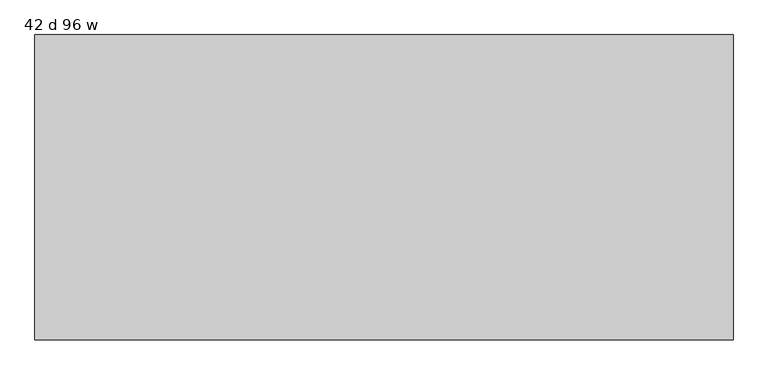
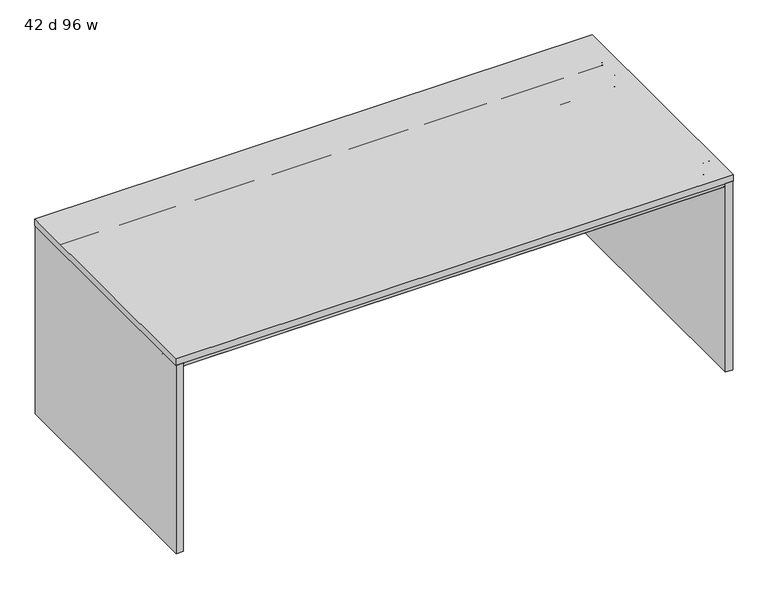
"""IFC4 building model written with IfcOpenShell, lengths in millimetres: furniture geometry, 42 d 96 w."""

from ifc_helpers import new_model, si_unit, frame, origin, place, context, project, spatial, polyline, circle_curve, outline, extrude, source, transform, mapped, element, save
from ifc_brep_helpers import plane_surface, cylinder_surface, revolved_surface, advanced_brep


def furniture_42_d_96_w_a19dceba(model_context):
    return source(origin(), model_context, "Body", "SolidModel", [
        advanced_brep(
        [(-1185.1632694, -440.6387871, 883.3451368), (-1185.1632694, -440.6387871, 884.8344355), (-1185.1632694, -233.4775792, 884.8344355), (-1185.1632694, -233.4775792, 883.3451368), (-1185.1632694, -297.548793, 883.3451368), (-1185.1632694, -298.3387884, 882.5551414), (-1185.1632694, -298.3387884, 829.4251949), (-1185.1632694, -300.3487901, 827.4151932), (-1185.1632694, -371.3288099, 827.4151932), (-1185.1632694, -373.3387889, 829.4251722), (-1185.1632694, -373.3387889, 882.5551324), (-1185.1632694, -374.1287934, 883.3451368), (-1185.1632694, -377.3440004, 883.3451368), (-1185.1632694, -377.3440004, 882.4551476), (-1185.1632694, -393.351863, 882.4551476), (-1185.1632694, -394.3440074, 881.4630031), (-1185.1632694, -394.3440074, 870.3701294), (-1185.1632694, -396.0239921, 868.6901447), (-1185.1632694, -529.664018, 868.6901447), (-1185.1632694, -531.3440027, 870.3701294), (-1185.1632694, -531.3440027, 882.8851358), (-1185.1632694, -529.3947031, 884.8344355), (-1185.1632694, -511.3440062, 884.8344355), (-1185.1632694, -511.3440062, 883.3451368), (1185.1632694, -373.3387889, 882.5551324), (1185.1632694, -373.3387889, 829.4251722), (1185.1632694, -371.3288099, 827.4151932), (1185.1632694, -300.3487901, 827.4151932), (1185.1632694, -298.3387884, 829.4251949), (1185.1632694, -298.3387884, 882.5551414), (1185.1632694, -297.548793, 883.3451368), (1185.1632694, -233.4775792, 883.3451368), (1185.1632694, -233.4775792, 884.8344355), (1185.1632694, -373.3387889, 884.8344355), (1209.0077008, -374.1287934, 883.3451368), (1209.0077008, -440.6387871, 883.3451368), (1185.1632694, -440.6387871, 883.3451368), (1185.1632694, -377.3440004, 883.3451368), (1185.1632694, -374.1287934, 883.3451368), (-1132.8233975, -373.3387889, 882.5551324), (-1108.9789661, -373.3387889, 882.5551324), (-1152.7087931, -233.4775792, 883.3451368), (-1147.0323695, -235.8288302, 883.3451368), (-1118.2978826, -264.5633064, 883.3451368), (-1100.3373737, -272.0027908, 883.3451368), (1100.3373737, -272.0027908, 883.3451368), (1118.2978826, -264.5633064, 883.3451368), (1147.0323695, -235.8288302, 883.3451368), (1152.7087931, -233.4775792, 883.3451368), (1209.0077008, -440.6387871, 884.8344355), (1209.0077008, -373.3387889, 884.8344355), (1152.7087931, -233.4775792, 884.8344355), (1147.0323695, -235.8288302, 884.8344355), (1118.2978826, -264.5633064, 884.8344355), (1100.3373737, -272.0027908, 884.8344355), (-1100.3373737, -272.0027908, 884.8344355), (-1118.2978826, -264.5633064, 884.8344355), (-1147.0323695, -235.8288302, 884.8344355), (-1152.7087931, -233.4775792, 884.8344355), (1209.0077008, -373.3387889, 882.5551324), (1185.1632694, -396.0239921, 868.6901447), (1185.1632694, -394.3440074, 870.3701294), (1185.1632694, -394.3440074, 881.4630031), (1185.1632694, -393.351863, 882.4551476), (1185.1632694, -377.3440004, 882.4551476), (1185.1632694, -511.3440062, 883.3451368), (1185.1632694, -511.3440062, 884.8344355), (1185.1632694, -529.3947031, 884.8344355), (1185.1632694, -531.3440027, 882.8851358), (1185.1632694, -531.3440027, 870.3701294), (1185.1632694, -529.664018, 868.6901447)],
        [
            (0, 1),
            (1, 2),
            (2, 3),
            (3, 4),
            (4, 5, circle_curve(frame((-1185.1632694, -297.548793, 882.5551414), z_axis=(1.0, 0.0, 0.0), x_axis=(0.0, 1.0, 0.0)), 0.7899954)),
            (5, 6),
            (6, 7, circle_curve(frame((-1185.1632694, -300.3487901, 829.4251949), z_axis=(-1.0, 0.0, 0.0), x_axis=(0.0, 1.0, 0.0)), 2.0100018)),
            (7, 8),
            (8, 9, circle_curve(frame((-1185.1632694, -371.3288099, 829.4251722), z_axis=(-1.0, 0.0, 0.0), x_axis=(0.0, 1.0, 0.0)), 2.0099791)),
            (9, 10),
            (10, 11, circle_curve(frame((-1185.1632694, -374.1287934, 882.5551324), z_axis=(1.0, 0.0, 0.0), x_axis=(0.0, 1.0, 0.0)), 0.7900045)),
            (11, 12),
            (12, 13),
            (13, 14),
            (14, 15, circle_curve(frame((-1185.1632694, -393.351863, 881.4630031), z_axis=(1.0, 0.0, 0.0), x_axis=(0.0, 1.0, 0.0)), 0.9921444)),
            (15, 16),
            (16, 17, circle_curve(frame((-1185.1632694, -396.0239921, 870.3701294), z_axis=(-1.0, 0.0, 0.0), x_axis=(0.0, 1.0, 0.0)), 1.6799847)),
            (17, 18),
            (18, 19, circle_curve(frame((-1185.1632694, -529.664018, 870.3701294), z_axis=(-1.0, 0.0, 0.0), x_axis=(0.0, 1.0, 0.0)), 1.6799847)),
            (19, 20),
            (20, 21, circle_curve(frame((-1185.1632694, -529.3947031, 882.8851358), z_axis=(-1.0, 0.0, 0.0), x_axis=(0.0, 1.0, 0.0)), 1.9492996)),
            (21, 22),
            (22, 23),
            (23, 0),
            (24, 25),
            (25, 26, circle_curve(frame((1185.1632694, -371.3288099, 829.4251722), z_axis=(1.0, 0.0, 0.0), x_axis=(0.0, 1.0, 0.0)), 2.0099791)),
            (26, 27),
            (27, 28, circle_curve(frame((1185.1632694, -300.3487901, 829.4251949), z_axis=(1.0, 0.0, 0.0), x_axis=(0.0, 1.0, 0.0)), 2.0100018)),
            (28, 29),
            (29, 30, circle_curve(frame((1185.1632694, -297.548793, 882.5551414), z_axis=(-1.0, 0.0, 0.0), x_axis=(0.0, 1.0, 0.0)), 0.7899954)),
            (30, 31),
            (31, 32),
            (32, 33),
            (33, 24),
            (34, 35),
            (35, 36),
            (36, 37),
            (37, 12),
            (11, 38),
            (38, 34),
            (10, 39),
            (39, 40),
            (40, 24),
            (24, 38, circle_curve(frame((1185.1632694, -374.1287934, 882.5551324), z_axis=(1.0, 0.0, 0.0), x_axis=(0.0, 1.0, 0.0)), 0.7900045)),
            (9, 25),
            (8, 26),
            (7, 27),
            (6, 28),
            (5, 29),
            (4, 30),
            (3, 41),
            (41, 42, circle_curve(frame((-1152.7087931, -241.505256, 883.3451368), z_axis=(0.0, 0.0, -1.0), x_axis=(-1.0, 0.0, 0.0)), 8.0276768)),
            (42, 43),
            (43, 44, circle_curve(frame((-1100.3373737, -246.6027908, 883.3451368), z_axis=(0.0, 0.0, 1.0), x_axis=(-1.0, 0.0, 0.0)), 25.4)),
            (44, 45),
            (45, 46, circle_curve(frame((1100.3373737, -246.6027908, 883.3451368), z_axis=(0.0, 0.0, 1.0), x_axis=(-1.0, 0.0, 0.0)), 25.4)),
            (46, 47),
            (47, 48, circle_curve(frame((1152.7087931, -241.505256, 883.3451368), z_axis=(0.0, 0.0, -1.0), x_axis=(-1.0, 0.0, 0.0)), 8.0276768)),
            (48, 31),
            (1, 49),
            (49, 50),
            (50, 33),
            (32, 51),
            (51, 52, circle_curve(frame((1152.7087931, -241.505256, 884.8344355), z_axis=(0.0, 0.0, 1.0), x_axis=(-1.0, 0.0, 0.0)), 8.0276768)),
            (52, 53),
            (53, 54, circle_curve(frame((1100.3373737, -246.6027908, 884.8344355), z_axis=(0.0, 0.0, -1.0), x_axis=(-1.0, 0.0, 0.0)), 25.4)),
            (54, 55),
            (55, 56, circle_curve(frame((-1100.3373737, -246.6027908, 884.8344355), z_axis=(0.0, 0.0, -1.0), x_axis=(-1.0, 0.0, 0.0)), 25.4)),
            (56, 57),
            (57, 58, circle_curve(frame((-1152.7087931, -241.505256, 884.8344355), z_axis=(0.0, 0.0, 1.0), x_axis=(-1.0, 0.0, 0.0)), 8.0276768)),
            (58, 2),
            (0, 36),
            (35, 49),
            (34, 59, circle_curve(frame((1209.0077008, -374.1287934, 882.5551324), z_axis=(-1.0, 0.0, 0.0), x_axis=(0.0, 0.0, 1.0)), 0.7900045)),
            (59, 50),
            (24, 59),
            (60, 61, circle_curve(frame((1185.1632694, -396.0239921, 870.3701294), z_axis=(1.0, 0.0, 0.0), x_axis=(0.0, 1.0, 0.0)), 1.6799847)),
            (61, 62),
            (62, 63, circle_curve(frame((1185.1632694, -393.351863, 881.4630031), z_axis=(-1.0, 0.0, 0.0), x_axis=(0.0, 1.0, 0.0)), 0.9921444)),
            (63, 64),
            (64, 37),
            (36, 65),
            (65, 66),
            (66, 67),
            (67, 68, circle_curve(frame((1185.1632694, -529.3947031, 882.8851358), z_axis=(1.0, 0.0, 0.0), x_axis=(0.0, 1.0, 0.0)), 1.9492996)),
            (68, 69),
            (69, 70, circle_curve(frame((1185.1632694, -529.664018, 870.3701294), z_axis=(1.0, 0.0, 0.0), x_axis=(0.0, 1.0, 0.0)), 1.6799847)),
            (70, 60),
            (16, 61),
            (60, 17),
            (15, 62),
            (14, 63),
            (13, 64),
            (23, 65),
            (22, 66),
            (21, 67),
            (20, 68),
            (19, 69),
            (18, 70),
            (58, 41),
            (57, 42),
            (56, 43),
            (55, 44),
            (54, 45),
            (53, 46),
            (52, 47),
            (51, 48),
        ],
        [
            plane_surface(frame((-1185.1632694, -335.8388, 884.8344355), z_axis=(-1.0, 0.0, 0.0), x_axis=(0.0, 0.0, 1.0))),
            plane_surface(frame((1185.1632694, -335.8388, 884.8344355), z_axis=(1.0, 0.0, 0.0), x_axis=(0.0, 0.0, 1.0))),
            plane_surface(frame((-1185.1632694, -374.1287934, 883.3451368), z_axis=(0.0, 0.0, -1.0), x_axis=(1.0, 0.0, 0.0))),
            revolved_surface(polyline([(1185.1632694, -373.3387889, 882.5551324), (-1185.1632694, -373.3387889, 882.5551324)]), (-1185.1632694, -374.1287934, 882.5551324), (1.0, 0.0, 0.0)),
            plane_surface(frame((-1185.1632694, -373.3387889, 829.4251722), z_axis=(0.0, -1.0, 0.0), x_axis=(1.0, 0.0, 0.0))),
            cylinder_surface(frame((-1185.1632694, -371.3288099, 829.4251722), z_axis=(-1.0, 0.0, 0.0), x_axis=(0.0, 1.0, 0.0)), 2.0099791),
            plane_surface(frame((-1185.1632694, -300.3487901, 827.4151932), z_axis=(0.0, 0.0, -1.0), x_axis=(1.0, 0.0, 0.0))),
            cylinder_surface(frame((-1185.1632694, -300.3487901, 829.4251949), z_axis=(-1.0, 0.0, 0.0), x_axis=(0.0, 1.0, 0.0)), 2.0100018),
            plane_surface(frame((-1185.1632694, -298.3387884, 882.5551414), z_axis=(0.0, 1.0, 0.0), x_axis=(1.0, 0.0, 0.0))),
            revolved_surface(polyline([(1185.1632694, -296.7587976, 882.5551414), (-1185.1632694, -296.7587976, 882.5551414)]), (-1185.1632694, -297.548793, 882.5551414), (1.0, 0.0, 0.0)),
            plane_surface(frame((-1185.1632694, -231.0387896, 883.3451368), z_axis=(0.0, 0.0, -1.0), x_axis=(1.0, 0.0, 0.0))),
            plane_surface(frame((-1185.1632694, -440.6387871, 884.8344355), z_axis=(0.0, 0.0, 1.0), x_axis=(1.0, 0.0, 0.0))),
            plane_surface(frame((-1185.1632694, -440.6387871, 883.3451368), z_axis=(0.0, -1.0, 0.0), x_axis=(1.0, 0.0, 0.0))),
            plane_surface(frame((1209.0077008, -440.6387871, 884.8344355), z_axis=(1.0, 0.0, 0.0), x_axis=(0.0, 0.0, -1.0))),
            revolved_surface(polyline([(1185.1632694, -374.1287934, 883.3451369), (1209.0077008, -374.1287934, 883.3451369)]), (1185.1632694, -374.1287934, 882.5551324), (-1.0, 0.0, 0.0)),
            plane_surface(frame((1209.0077008, -373.3387889, 882.5551324), z_axis=(0.0, 1.0, 0.0), x_axis=(-1.0, 0.0, 0.0))),
            plane_surface(frame((1185.1632694, -533.4, 884.8344355), z_axis=(1.0, 0.0, 0.0), x_axis=(0.0, 0.0, 1.0))),
            cylinder_surface(frame((-1185.1632694, -396.0239921, 870.3701294), z_axis=(-1.0, 0.0, 0.0), x_axis=(0.0, 1.0, 0.0)), 1.6799847),
            plane_surface(frame((-1185.1632694, -394.3440074, 881.4630031), z_axis=(0.0, 1.0, 0.0), x_axis=(1.0, 0.0, 0.0))),
            revolved_surface(polyline([(1185.1632694, -392.3597186, 881.4630031), (-1185.1632694, -392.3597186, 881.4630031)]), (-1185.1632694, -393.351863, 881.4630031), (1.0, 0.0, 0.0)),
            plane_surface(frame((-1185.1632694, -377.3440004, 882.4551476), z_axis=(0.0, 0.0, -1.0), x_axis=(1.0, 0.0, 0.0))),
            plane_surface(frame((-1185.1632694, -377.3440004, 883.3451368), z_axis=(0.0, 1.0, 0.0), x_axis=(1.0, 0.0, 0.0))),
            plane_surface(frame((-1185.1632694, -511.3440062, 883.3451368), z_axis=(0.0, 0.0, 1.0), x_axis=(1.0, 0.0, 0.0))),
            plane_surface(frame((-1185.1632694, -511.3440062, 884.8344355), z_axis=(0.0, 1.0, 0.0), x_axis=(1.0, 0.0, 0.0))),
            plane_surface(frame((-1185.1632694, -529.3947031, 884.8344355), z_axis=(0.0, 0.0, 1.0), x_axis=(1.0, 0.0, 0.0))),
            cylinder_surface(frame((-1185.1632694, -529.3947031, 882.8851358), z_axis=(-1.0, 0.0, 0.0), x_axis=(0.0, 1.0, 0.0)), 1.9492996),
            plane_surface(frame((-1185.1632694, -531.3440027, 870.3701294), z_axis=(0.0, -1.0, 0.0), x_axis=(1.0, 0.0, 0.0))),
            cylinder_surface(frame((-1185.1632694, -529.664018, 870.3701294), z_axis=(-1.0, 0.0, 0.0), x_axis=(0.0, 1.0, 0.0)), 1.6799847),
            plane_surface(frame((-1185.1632694, -396.0239921, 868.6901447), z_axis=(0.0, 0.0, -1.0), x_axis=(1.0, 0.0, 0.0))),
            plane_surface(frame((-1185.1632694, -233.4775792, 884.8344355), z_axis=(0.0, 1.0, 0.0), x_axis=(0.0, 0.0, -1.0))),
            cylinder_surface(frame((-1152.7087931, -241.505256, 868.6901447), z_axis=(0.0, 0.0, -1.0), x_axis=(-1.0, 0.0, 0.0)), 8.0276768),
            plane_surface(frame((-1147.0323695, -235.8288302, 884.8344355), z_axis=(0.707106649545032, 0.7071069128280386, 0.0), x_axis=(0.0, 0.0, -1.0))),
            revolved_surface(polyline([(-1125.7373737, -246.6027908, 884.8344355), (-1125.7373737, -246.6027908, 883.3451368)]), (-1100.3373737, -246.6027908, 868.6901447), (0.0, 0.0, 1.0)),
            plane_surface(frame((-1100.3373737, -272.0027908, 884.8344355), z_axis=(0.0, 1.0, 0.0), x_axis=(0.0, 0.0, -1.0))),
            revolved_surface(polyline([(1074.9373736999999, -246.6027908, 884.8344355), (1074.9373736999999, -246.6027908, 883.3451368)]), (1100.3373737, -246.6027908, 868.6901447), (0.0, 0.0, 1.0)),
            plane_surface(frame((1118.2978826, -264.5633064, 884.8344355), z_axis=(-0.7071066495450169, 0.7071069128280536, 0.0), x_axis=(0.0, 0.0, -1.0))),
            cylinder_surface(frame((1152.7087931, -241.505256, 868.6901447), z_axis=(0.0, 0.0, -1.0), x_axis=(-1.0, 0.0, 0.0)), 8.0276768),
            plane_surface(frame((1152.7087931, -233.4775792, 884.8344355), z_axis=(0.0, 1.0, 0.0), x_axis=(0.0, 0.0, -1.0))),
        ],
        [
            (0, [[1, 2, 3, 4, 5, 6, 7, 8, 9, 10, 11, 12, 13, 14, 15, 16, 17, 18, 19, 20, 21, 22, 23, 24]]),
            (1, [[25, 26, 27, 28, 29, 30, 31, 32, 33, 34]]),
            (2, [[35, 36, 37, 38, -12, 39, 40]]),
            (3, [[-11, 41, 42, 43, 44, -39]]),
            (4, [[-10, 45, -25, -43, -42, -41]]),
            (5, [[-9, 46, -26, -45]]),
            (6, [[-8, 47, -27, -46]]),
            (7, [[-7, 48, -28, -47]]),
            (8, [[-6, 49, -29, -48]]),
            (9, [[-5, 50, -30, -49]]),
            (10, [[-50, -4, 51, 52, 53, 54, 55, 56, 57, 58, 59, -31]]),
            (11, [[-2, 60, 61, 62, -33, 63, 64, 65, 66, 67, 68, 69, 70, 71]]),
            (12, [[-1, 72, -36, 73, -60]]),
            (13, [[-73, -35, 74, 75, -61]]),
            (14, [[-74, -40, -44, 76]]),
            (15, [[-75, -76, -34, -62]]),
            (16, [[77, 78, 79, 80, 81, -37, 82, 83, 84, 85, 86, 87, 88]]),
            (17, [[-17, 89, -77, 90]]),
            (18, [[-16, 91, -78, -89]]),
            (19, [[-15, 92, -79, -91]]),
            (20, [[-14, 93, -80, -92]]),
            (21, [[-13, -38, -81, -93]]),
            (22, [[94, -82, -72, -24]]),
            (23, [[-23, 95, -83, -94]]),
            (24, [[-22, 96, -84, -95]]),
            (25, [[-21, 97, -85, -96]]),
            (26, [[-20, 98, -86, -97]]),
            (27, [[-19, 99, -87, -98]]),
            (28, [[-18, -90, -88, -99]]),
            (29, [[100, -51, -3, -71]]),
            (30, [[-100, -70, 101, -52]]),
            (31, [[-101, -69, 102, -53]]),
            (32, [[-102, -68, 103, -54]]),
            (33, [[-103, -67, 104, -55]]),
            (34, [[-104, -66, 105, -56]]),
            (35, [[-105, -65, 106, -57]]),
            (36, [[-106, -64, 107, -58]]),
            (37, [[-107, -63, -32, -59]]),
        ],
    ),
        advanced_brep(
        [(-1185.1632694, 374.1287934, 883.3451368), (-1185.1632694, 373.3387889, 882.5551324), (-1185.1632694, 373.3387889, 829.4251722), (-1185.1632694, 371.3288099, 827.4151932), (-1185.1632694, 300.3487901, 827.4151932), (-1185.1632694, 298.3387884, 829.4251949), (-1185.1632694, 298.3387884, 882.5551414), (-1185.1632694, 297.548793, 883.3451368), (-1185.1632694, 233.4775792, 883.3451368), (-1185.1632694, 233.4775792, 884.8344355), (-1185.1632694, 440.6387871, 884.8344355), (-1185.1632694, 440.6387871, 883.3451368), (-1185.1632694, 511.3440062, 883.3451368), (-1185.1632694, 511.3440062, 884.8344355), (-1185.1632694, 529.3947031, 884.8344355), (-1185.1632694, 531.3440027, 882.8851358), (-1185.1632694, 531.3440027, 870.3701294), (-1185.1632694, 529.664018, 868.6901447), (-1185.1632694, 396.0239921, 868.6901447), (-1185.1632694, 394.3440074, 870.3701294), (-1185.1632694, 394.3440074, 881.4630031), (-1185.1632694, 393.351863, 882.4551476), (-1185.1632694, 377.3440004, 882.4551476), (-1185.1632694, 377.3440004, 883.3451368), (1185.1632694, 297.548793, 883.3451368), (1185.1632694, 298.3387884, 882.5551414), (1185.1632694, 298.3387884, 829.4251949), (1185.1632694, 300.3487901, 827.4151932), (1185.1632694, 371.3288099, 827.4151932), (1185.1632694, 373.3387889, 829.4251722), (1185.1632694, 373.3387889, 882.5551324), (1185.1632694, 373.3387889, 884.8344355), (1185.1632694, 233.4775792, 884.8344355), (1185.1632694, 233.4775792, 883.3451368), (1209.0077008, 440.6387871, 883.3451368), (1209.0077008, 374.1287934, 883.3451368), (1185.1632694, 374.1287934, 883.3451368), (1185.1632694, 377.3440004, 883.3451368), (1185.1632694, 440.6387871, 883.3451368), (-1108.9789661, 373.3387889, 882.5551324), (-1132.8233975, 373.3387889, 882.5551324), (1152.7087931, 233.4775792, 883.3451368), (1147.0323695, 235.8288302, 883.3451368), (1118.2978826, 264.5633064, 883.3451368), (1100.3373737, 272.0027908, 883.3451368), (-1100.3373737, 272.0027908, 883.3451368), (-1118.2978826, 264.5633064, 883.3451368), (-1147.0323695, 235.8288302, 883.3451368), (-1152.7087931, 233.4775792, 883.3451368), (-1152.7087931, 233.4775792, 884.8344355), (-1147.0323695, 235.8288302, 884.8344355), (-1118.2978826, 264.5633064, 884.8344355), (-1100.3373737, 272.0027908, 884.8344355), (1100.3373737, 272.0027908, 884.8344355), (1118.2978826, 264.5633064, 884.8344355), (1147.0323695, 235.8288302, 884.8344355), (1152.7087931, 233.4775792, 884.8344355), (1209.0077008, 373.3387889, 884.8344355), (1209.0077008, 440.6387871, 884.8344355), (1209.0077008, 373.3387889, 882.5551324), (1185.1632694, 396.0239921, 868.6901447), (1185.1632694, 529.664018, 868.6901447), (1185.1632694, 531.3440027, 870.3701294), (1185.1632694, 531.3440027, 882.8851358), (1185.1632694, 529.3947031, 884.8344355), (1185.1632694, 511.3440062, 884.8344355), (1185.1632694, 511.3440062, 883.3451368), (1185.1632694, 377.3440004, 882.4551476), (1185.1632694, 393.351863, 882.4551476), (1185.1632694, 394.3440074, 881.4630031), (1185.1632694, 394.3440074, 870.3701294)],
        [
            (0, 1, circle_curve(frame((-1185.1632694, 374.1287934, 882.5551324), z_axis=(1.0, 0.0, 0.0), x_axis=(0.0, 1.0, 0.0)), 0.7900045)),
            (1, 2),
            (2, 3, circle_curve(frame((-1185.1632694, 371.3288099, 829.4251722), z_axis=(-1.0, 0.0, 0.0), x_axis=(0.0, 1.0, 0.0)), 2.0099791)),
            (3, 4),
            (4, 5, circle_curve(frame((-1185.1632694, 300.3487901, 829.4251949), z_axis=(-1.0, 0.0, 0.0), x_axis=(0.0, 1.0, 0.0)), 2.0100018)),
            (5, 6),
            (6, 7, circle_curve(frame((-1185.1632694, 297.548793, 882.5551414), z_axis=(1.0, 0.0, 0.0), x_axis=(0.0, 1.0, 0.0)), 0.7899954)),
            (7, 8),
            (8, 9),
            (9, 10),
            (10, 11),
            (11, 12),
            (12, 13),
            (13, 14),
            (14, 15, circle_curve(frame((-1185.1632694, 529.3947031, 882.8851358), z_axis=(-1.0, 0.0, 0.0), x_axis=(0.0, 1.0, 0.0)), 1.9492996)),
            (15, 16),
            (16, 17, circle_curve(frame((-1185.1632694, 529.664018, 870.3701294), z_axis=(-1.0, 0.0, 0.0), x_axis=(0.0, 1.0, 0.0)), 1.6799847)),
            (17, 18),
            (18, 19, circle_curve(frame((-1185.1632694, 396.0239921, 870.3701294), z_axis=(-1.0, 0.0, 0.0), x_axis=(0.0, 1.0, 0.0)), 1.6799847)),
            (19, 20),
            (20, 21, circle_curve(frame((-1185.1632694, 393.351863, 881.4630031), z_axis=(1.0, 0.0, 0.0), x_axis=(0.0, 1.0, 0.0)), 0.9921444)),
            (21, 22),
            (22, 23),
            (23, 0),
            (24, 25, circle_curve(frame((1185.1632694, 297.548793, 882.5551414), z_axis=(-1.0, 0.0, 0.0), x_axis=(0.0, 1.0, 0.0)), 0.7899954)),
            (25, 26),
            (26, 27, circle_curve(frame((1185.1632694, 300.3487901, 829.4251949), z_axis=(1.0, 0.0, 0.0), x_axis=(0.0, 1.0, 0.0)), 2.0100018)),
            (27, 28),
            (28, 29, circle_curve(frame((1185.1632694, 371.3288099, 829.4251722), z_axis=(1.0, 0.0, 0.0), x_axis=(0.0, 1.0, 0.0)), 2.0099791)),
            (29, 30),
            (30, 31),
            (31, 32),
            (32, 33),
            (33, 24),
            (34, 35),
            (35, 36),
            (36, 0),
            (23, 37),
            (37, 38),
            (38, 34),
            (36, 30, circle_curve(frame((1185.1632694, 374.1287934, 882.5551324), z_axis=(1.0, 0.0, 0.0), x_axis=(0.0, 1.0, 0.0)), 0.7900045)),
            (30, 39),
            (39, 40),
            (40, 1),
            (29, 2),
            (28, 3),
            (27, 4),
            (26, 5),
            (25, 6),
            (24, 7),
            (33, 41),
            (41, 42, circle_curve(frame((1152.7087931, 241.505256, 883.3451368), z_axis=(0.0, 0.0, -1.0), x_axis=(-1.0, 0.0, 0.0)), 8.0276768)),
            (42, 43),
            (43, 44, circle_curve(frame((1100.3373737, 246.6027908, 883.3451368), z_axis=(0.0, 0.0, 1.0), x_axis=(-1.0, 0.0, 0.0)), 25.4)),
            (44, 45),
            (45, 46, circle_curve(frame((-1100.3373737, 246.6027908, 883.3451368), z_axis=(0.0, 0.0, 1.0), x_axis=(-1.0, 0.0, 0.0)), 25.4)),
            (46, 47),
            (47, 48, circle_curve(frame((-1152.7087931, 241.505256, 883.3451368), z_axis=(0.0, 0.0, -1.0), x_axis=(-1.0, 0.0, 0.0)), 8.0276768)),
            (48, 8),
            (9, 49),
            (49, 50, circle_curve(frame((-1152.7087931, 241.505256, 884.8344355), z_axis=(0.0, 0.0, 1.0), x_axis=(-1.0, 0.0, 0.0)), 8.0276768)),
            (50, 51),
            (51, 52, circle_curve(frame((-1100.3373737, 246.6027908, 884.8344355), z_axis=(0.0, 0.0, -1.0), x_axis=(-1.0, 0.0, 0.0)), 25.4)),
            (52, 53),
            (53, 54, circle_curve(frame((1100.3373737, 246.6027908, 884.8344355), z_axis=(0.0, 0.0, -1.0), x_axis=(-1.0, 0.0, 0.0)), 25.4)),
            (54, 55),
            (55, 56, circle_curve(frame((1152.7087931, 241.505256, 884.8344355), z_axis=(0.0, 0.0, 1.0), x_axis=(-1.0, 0.0, 0.0)), 8.0276768)),
            (56, 32),
            (31, 57),
            (57, 58),
            (58, 10),
            (58, 34),
            (38, 11),
            (57, 59),
            (59, 35, circle_curve(frame((1209.0077008, 374.1287934, 882.5551324), z_axis=(-1.0, 0.0, 0.0), x_axis=(0.0, 0.0, 1.0)), 0.7900045)),
            (30, 59),
            (60, 61),
            (61, 62, circle_curve(frame((1185.1632694, 529.664018, 870.3701294), z_axis=(1.0, 0.0, 0.0), x_axis=(0.0, 1.0, 0.0)), 1.6799847)),
            (62, 63),
            (63, 64, circle_curve(frame((1185.1632694, 529.3947031, 882.8851358), z_axis=(1.0, 0.0, 0.0), x_axis=(0.0, 1.0, 0.0)), 1.9492996)),
            (64, 65),
            (65, 66),
            (66, 38),
            (37, 67),
            (67, 68),
            (68, 69, circle_curve(frame((1185.1632694, 393.351863, 881.4630031), z_axis=(-1.0, 0.0, 0.0), x_axis=(0.0, 1.0, 0.0)), 0.9921444)),
            (69, 70),
            (70, 60, circle_curve(frame((1185.1632694, 396.0239921, 870.3701294), z_axis=(1.0, 0.0, 0.0), x_axis=(0.0, 1.0, 0.0)), 1.6799847)),
            (18, 60),
            (70, 19),
            (69, 20),
            (68, 21),
            (67, 22),
            (66, 12),
            (65, 13),
            (64, 14),
            (63, 15),
            (62, 16),
            (61, 17),
            (56, 41),
            (55, 42),
            (54, 43),
            (53, 44),
            (52, 45),
            (51, 46),
            (50, 47),
            (49, 48),
        ],
        [
            plane_surface(frame((-1185.1632694, 335.8388, 884.8344355), z_axis=(-1.0, 0.0, 0.0), x_axis=(0.0, 0.0, 1.0))),
            plane_surface(frame((1185.1632694, 335.8388, 884.8344355), z_axis=(1.0, 0.0, 0.0), x_axis=(0.0, 0.0, 1.0))),
            plane_surface(frame((-1185.1632694, 440.6387871, 883.3451368), z_axis=(0.0, 0.0, -1.0), x_axis=(1.0, 0.0, 0.0))),
            revolved_surface(polyline([(1185.1632694, 374.9187979, 882.5551324), (-1185.1632694, 374.9187979, 882.5551324)]), (-1185.1632694, 374.1287934, 882.5551324), (1.0, 0.0, 0.0)),
            plane_surface(frame((-1185.1632694, 373.3387889, 882.5551324), z_axis=(0.0, 1.0, 0.0), x_axis=(1.0, 0.0, 0.0))),
            cylinder_surface(frame((-1185.1632694, 371.3288099, 829.4251722), z_axis=(-1.0, 0.0, 0.0), x_axis=(0.0, 1.0, 0.0)), 2.0099791),
            plane_surface(frame((-1185.1632694, 371.3288099, 827.4151932), z_axis=(0.0, 0.0, -1.0), x_axis=(1.0, 0.0, 0.0))),
            cylinder_surface(frame((-1185.1632694, 300.3487901, 829.4251949), z_axis=(-1.0, 0.0, 0.0), x_axis=(0.0, 1.0, 0.0)), 2.0100018),
            plane_surface(frame((-1185.1632694, 298.3387884, 829.4251949), z_axis=(0.0, -1.0, 0.0), x_axis=(1.0, 0.0, 0.0))),
            revolved_surface(polyline([(1185.1632694, 298.3387884, 882.5551414), (-1185.1632694, 298.3387884, 882.5551414)]), (-1185.1632694, 297.548793, 882.5551414), (1.0, 0.0, 0.0)),
            plane_surface(frame((-1185.1632694, 297.548793, 883.3451368), z_axis=(0.0, 0.0, -1.0), x_axis=(1.0, 0.0, 0.0))),
            plane_surface(frame((-1185.1632694, 231.0387896, 884.8344355), z_axis=(0.0, 0.0, 1.0), x_axis=(1.0, 0.0, 0.0))),
            plane_surface(frame((-1185.1632694, 440.6387871, 884.8344355), z_axis=(0.0, 1.0, 0.0), x_axis=(1.0, 0.0, 0.0))),
            plane_surface(frame((1209.0077008, -440.6387871, 884.8344355), z_axis=(1.0, 0.0, 0.0), x_axis=(0.0, 0.0, -1.0))),
            plane_surface(frame((1209.0077008, 373.3387889, 884.8344355), z_axis=(0.0, -1.0, 0.0), x_axis=(-1.0, 0.0, 0.0))),
            revolved_surface(polyline([(1185.1632694, 374.1287934, 883.3451369), (1209.0077008, 374.1287934, 883.3451369)]), (1185.1632694, 374.1287934, 882.5551324), (-1.0, 0.0, 0.0)),
            plane_surface(frame((1185.1632694, 533.4, 884.8344355), z_axis=(1.0, 0.0, 0.0), x_axis=(0.0, 0.0, 1.0))),
            cylinder_surface(frame((-1185.1632694, 396.0239921, 870.3701294), z_axis=(-1.0, 0.0, 0.0), x_axis=(0.0, 1.0, 0.0)), 1.6799847),
            plane_surface(frame((-1185.1632694, 394.3440074, 870.3701294), z_axis=(0.0, -1.0, 0.0), x_axis=(1.0, 0.0, 0.0))),
            revolved_surface(polyline([(1185.1632694, 394.34400739999995, 881.4630031), (-1185.1632694, 394.34400739999995, 881.4630031)]), (-1185.1632694, 393.351863, 881.4630031), (1.0, 0.0, 0.0)),
            plane_surface(frame((-1185.1632694, 393.351863, 882.4551476), z_axis=(0.0, 0.0, -1.0), x_axis=(1.0, 0.0, 0.0))),
            plane_surface(frame((-1185.1632694, 377.3440004, 882.4551476), z_axis=(0.0, -1.0, 0.0), x_axis=(1.0, 0.0, 0.0))),
            plane_surface(frame((-1185.1632694, 377.3440004, 883.3451368), z_axis=(0.0, 0.0, 1.0), x_axis=(1.0, 0.0, 0.0))),
            plane_surface(frame((-1185.1632694, 511.3440062, 883.3451368), z_axis=(0.0, -1.0, 0.0), x_axis=(1.0, 0.0, 0.0))),
            plane_surface(frame((-1185.1632694, 511.3440062, 884.8344355), z_axis=(0.0, 0.0, 1.0), x_axis=(1.0, 0.0, 0.0))),
            cylinder_surface(frame((-1185.1632694, 529.3947031, 882.8851358), z_axis=(-1.0, 0.0, 0.0), x_axis=(0.0, 1.0, 0.0)), 1.9492996),
            plane_surface(frame((-1185.1632694, 531.3440027, 882.8851358), z_axis=(0.0, 1.0, 0.0), x_axis=(1.0, 0.0, 0.0))),
            cylinder_surface(frame((-1185.1632694, 529.664018, 870.3701294), z_axis=(-1.0, 0.0, 0.0), x_axis=(0.0, 1.0, 0.0)), 1.6799847),
            plane_surface(frame((-1185.1632694, 529.664018, 868.6901447), z_axis=(0.0, 0.0, -1.0), x_axis=(1.0, 0.0, 0.0))),
            plane_surface(frame((1185.1632694, 233.4775792, 884.8344355), z_axis=(0.0, -1.0, 0.0), x_axis=(0.0, 0.0, -1.0))),
            cylinder_surface(frame((1152.7087931, 241.505256, 868.6901447), z_axis=(0.0, 0.0, -1.0), x_axis=(-1.0, 0.0, 0.0)), 8.0276768),
            plane_surface(frame((1147.0323695, 235.8288302, 884.8344355), z_axis=(-0.7071066495449112, -0.7071069128281594, 0.0), x_axis=(0.0, 0.0, -1.0))),
            revolved_surface(polyline([(1074.9373736999999, 246.6027908, 884.8344355), (1074.9373736999999, 246.6027908, 883.3451368)]), (1100.3373737, 246.6027908, 868.6901447), (0.0, 0.0, 1.0)),
            plane_surface(frame((1100.3373737, 272.0027908, 884.8344355), z_axis=(0.0, -1.0, 0.0), x_axis=(0.0, 0.0, -1.0))),
            revolved_surface(polyline([(-1125.7373737, 246.6027908, 884.8344355), (-1125.7373737, 246.6027908, 883.3451368)]), (-1100.3373737, 246.6027908, 868.6901447), (0.0, 0.0, 1.0)),
            plane_surface(frame((-1118.2978826, 264.5633064, 884.8344355), z_axis=(0.7071066495450036, -0.7071069128280669, 0.0), x_axis=(0.0, 0.0, -1.0))),
            cylinder_surface(frame((-1152.7087931, 241.505256, 868.6901447), z_axis=(0.0, 0.0, -1.0), x_axis=(-1.0, 0.0, 0.0)), 8.0276768),
            plane_surface(frame((-1152.7087931, 233.4775792, 884.8344355), z_axis=(0.0, -1.0, 0.0), x_axis=(0.0, 0.0, -1.0))),
        ],
        [
            (0, [[1, 2, 3, 4, 5, 6, 7, 8, 9, 10, 11, 12, 13, 14, 15, 16, 17, 18, 19, 20, 21, 22, 23, 24]]),
            (1, [[25, 26, 27, 28, 29, 30, 31, 32, 33, 34]]),
            (2, [[35, 36, 37, -24, 38, 39, 40]]),
            (3, [[-1, -37, 41, 42, 43, 44]]),
            (4, [[-2, -44, -43, -42, -30, 45]]),
            (5, [[-3, -45, -29, 46]]),
            (6, [[-4, -46, -28, 47]]),
            (7, [[-5, -47, -27, 48]]),
            (8, [[-6, -48, -26, 49]]),
            (9, [[-7, -49, -25, 50]]),
            (10, [[-50, -34, 51, 52, 53, 54, 55, 56, 57, 58, 59, -8]]),
            (11, [[-10, 60, 61, 62, 63, 64, 65, 66, 67, 68, -32, 69, 70, 71]]),
            (12, [[-11, -71, 72, -40, 73]]),
            (13, [[74, 75, -35, -72, -70]]),
            (14, [[-74, -69, -31, 76]]),
            (15, [[-75, -76, -41, -36]]),
            (16, [[77, 78, 79, 80, 81, 82, 83, -39, 84, 85, 86, 87, 88]]),
            (17, [[-19, 89, -88, 90]]),
            (18, [[-20, -90, -87, 91]]),
            (19, [[-21, -91, -86, 92]]),
            (20, [[-22, -92, -85, 93]]),
            (21, [[-23, -93, -84, -38]]),
            (22, [[94, -12, -73, -83]]),
            (23, [[-13, -94, -82, 95]]),
            (24, [[-14, -95, -81, 96]]),
            (25, [[-15, -96, -80, 97]]),
            (26, [[-16, -97, -79, 98]]),
            (27, [[-17, -98, -78, 99]]),
            (28, [[-18, -99, -77, -89]]),
            (29, [[100, -51, -33, -68]]),
            (30, [[-100, -67, 101, -52]]),
            (31, [[-101, -66, 102, -53]]),
            (32, [[-102, -65, 103, -54]]),
            (33, [[-103, -64, 104, -55]]),
            (34, [[-104, -63, 105, -56]]),
            (35, [[-105, -62, 106, -57]]),
            (36, [[-106, -61, 107, -58]]),
            (37, [[-107, -60, -9, -59]]),
        ],
    ),
        extrude(outline(polyline([(-1185.1632694, 533.4), (-1185.1632694, -533.4), (-1216.7098177, -533.4), (-1216.7098177, 533.4), (-1185.1632694, 533.4)])), frame((0.0, 0.0, 12.2237497), z_axis=(0.0, 0.0, 1.0), x_axis=(1.0, 0.0, 0.0)), (0.0, 0.0, 1.0), 872.6106858),
        extrude(outline(polyline([(1185.1632694, 533.4), (1216.7098177, 533.4), (1216.7098177, -533.4), (1185.1632694, -533.4), (1185.1632694, 533.4)])), frame((0.0, 0.0, 12.2237497), z_axis=(0.0, 0.0, 1.0), x_axis=(1.0, 0.0, 0.0)), (0.0, 0.0, 1.0), 872.6106858),
        extrude(outline(polyline([(1219.2, 533.4), (1219.2, -533.4), (-1219.2, -533.4), (-1219.2, 533.4), (1219.2, 533.4)])), frame((0.0, 0.0, 884.8344355), z_axis=(0.0, 0.0, 1.0), x_axis=(1.0, 0.0, 0.0)), (0.0, 0.0, 1.0), 29.5655645),
    ])


if __name__ == "__main__":
    model = new_model("IFC4")
    model_context = context("Model", 3, world=origin())
    ifc_project = project(units=[si_unit("LENGTHUNIT", "METRE", prefix="MILLI")], contexts=[model_context])
    site = spatial("IfcSite", under=ifc_project)
    building = spatial("IfcBuilding", under=site)
    placement = place(None, origin())
    furniture_42_d_96_w_shape = furniture_42_d_96_w_a19dceba(model_context)
    element("IfcFurniture", 1, ObjectType="42 d 96 w", at=placement, inside=building, context=model_context, shape_type="MappedRepresentation", body=[
        mapped(furniture_42_d_96_w_shape, transform((0.0, 0.0, 0.0), x_axis=(1.0, 0.0, 0.0), y_axis=(0.0, 1.0, 0.0), z_axis=(0.0, 0.0, 1.0))),
    ])
    save(model, "model.ifc")
